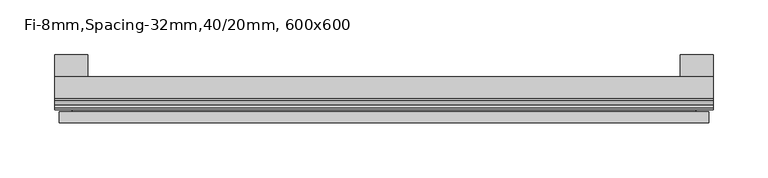
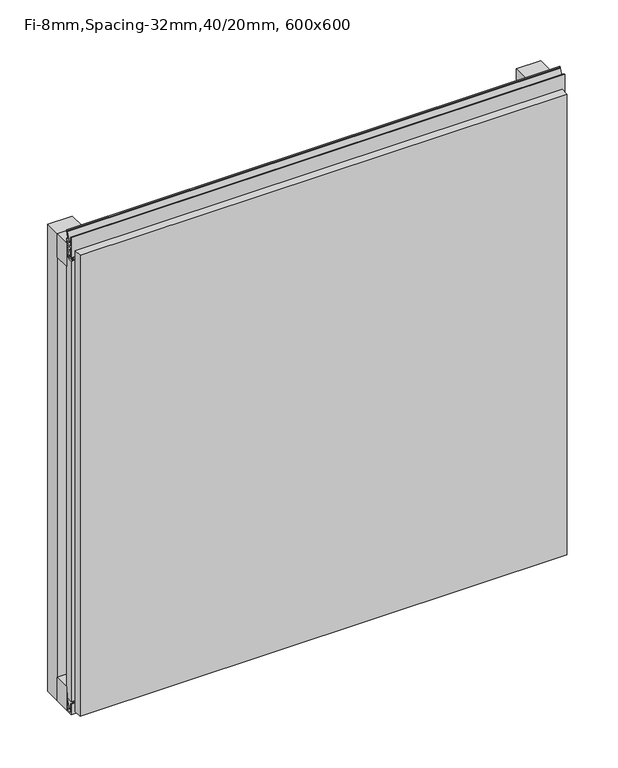
"""IFC4 building model written with IfcOpenShell, lengths in millimetres: plate geometry, Fi-8mm,Spacing-32mm,40/20mm, 600x600."""

from ifc_helpers import new_model, si_unit, frame, origin, origin_with_axes, place, context, project, spatial, polyline, outline, extrude, faceted_brep, source, transform, mapped, element, save


def fi_8mm_spacing_32mm_40_20mm_600x600_0a855e9e(model_context):
    return source(origin(), model_context, "Body", "SolidModel", [
        extrude(outline(polyline([(-300.0, -40.0), (-300.0, -20.0), (300.0, -20.0), (300.0, -40.0), (-300.0, -40.0)])), frame((0.0, 0.0, 570.0), z_axis=(0.0, 0.0, 1.0), x_axis=(1.0, 0.0, 0.0)), (0.0, 0.0, 1.0), 30.0),
        extrude(outline(polyline([(-300.0, -40.0), (-300.0, -20.0), (300.0, -20.0), (300.0, -40.0), (-300.0, -40.0)])), origin_with_axes(), (0.0, 0.0, 1.0), 30.0),
        extrude(outline(polyline([(270.0, 0.0), (300.0, 0.0), (300.0, -20.0), (270.0, -20.0), (270.0, 0.0)])), origin_with_axes(), (0.0, 0.0, 1.0), 600.0),
        extrude(outline(polyline([(-270.0, 0.0), (-270.0, -20.0), (-300.0, -20.0), (-300.0, 0.0), (-270.0, 0.0)])), origin_with_axes(), (0.0, 0.0, 1.0), 600.0),
        extrude(outline(polyline([(-40.0, 6.299084), (-40.0, 0.0), (-50.1, 0.0), (-50.1, 13.4156807), (-48.7, 13.4156807), (-48.7, 1.4156807), (-41.4, 1.4156807), (-41.4, 4.899084), (-45.5140545, 4.899084), (-41.4553267, 15.5703394), (-41.4553267, 22.991548), (-40.0553267, 22.991548), (-40.0553267, 15.3558599), (-43.5, 6.299084), (-40.0, 6.299084)])), frame((-300.0, 0.0, 0.0), z_axis=(1.0, 0.0, 0.0), x_axis=(0.0, 1.0, 0.0)), (0.0, 0.0, 1.0), 600.0),
        extrude(outline(polyline([(-293.700916, -40.0), (-293.700916, -43.5), (-284.6441401, -40.0553267), (-277.008452, -40.0553267), (-277.008452, -41.4553267), (-284.4296606, -41.4553267), (-295.100916, -45.5140545), (-295.100916, -41.4), (-298.5843193, -41.4), (-298.5843193, -48.7), (-286.5843193, -48.7), (-286.5843193, -50.1), (-300.0, -50.1), (-300.0, -40.0), (-293.700916, -40.0)])), frame((0.0, 0.0, 16.9558599), z_axis=(0.0, 0.0, 1.0), x_axis=(1.0, 0.0, 0.0)), (0.0, 0.0, 1.0), 566.0882802),
        extrude(outline(polyline([(-48.7, 600.899084), (-41.4, 600.899084), (-41.4, 604.899084), (-45.5140545, 604.899084), (-41.4553267, 615.5703394), (-41.4553267, 616.9558599), (-40.0553267, 616.9558599), (-40.0553267, 615.3558599), (-43.5, 606.299084), (-40.0, 606.299084), (-40.0, 593.700916), (-43.5, 593.700916), (-40.0553267, 584.6441401), (-40.0553267, 583.0441401), (-41.4553267, 583.0441401), (-41.4553267, 584.4296606), (-45.5140545, 595.100916), (-41.4, 595.100916), (-41.4, 599.100916), (-48.7, 599.100916), (-48.7, 587.100916), (-50.1, 587.100916), (-50.1, 612.899084), (-48.7, 612.899084), (-48.7, 600.899084)])), frame((-300.0, 0.0, 0.0), z_axis=(1.0, 0.0, 0.0), x_axis=(0.0, 1.0, 0.0)), (0.0, 0.0, 1.0), 600.0),
        faceted_brep([(296.0, -45.9, 596.0), (-296.0, -45.9, 596.0), (-296.0, -48.7, 596.0), (296.0, -48.7, 596.0), (-296.0, -61.9, 596.0), (296.0, -61.9, 596.0), (296.0, -51.9, 596.0), (-296.0, -51.9, 596.0), (-296.0, -45.9, 4.0), (296.0, -45.9, 4.0), (296.0, -48.7, 4.0), (-296.0, -48.7, 4.0), (296.0, -61.9, 4.0), (-296.0, -61.9, 4.0), (-296.0, -51.9, 4.0), (296.0, -51.9, 4.0), (284.0, -51.9, 584.0), (284.0, -51.9, 16.0), (284.0, -48.7, 16.0), (284.0, -48.7, 584.0), (-284.0, -51.9, 16.0), (-284.0, -48.7, 16.0), (-284.0, -51.9, 584.0), (-284.0, -48.7, 584.0)], [[[0, 1, 2, 3]], [[4, 5, 6, 7]], [[8, 9, 10, 11]], [[12, 13, 14, 15]], [[1, 0, 9, 8]], [[1, 8, 11, 2]], [[13, 4, 7, 14]], [[5, 4, 13, 12]], [[9, 0, 3, 10]], [[5, 12, 15, 6]], [[16, 17, 18, 19]], [[18, 17, 20, 21]], [[21, 20, 22, 23]], [[16, 19, 23, 22]], [[7, 6, 15, 14], [17, 16, 22, 20]], [[3, 2, 11, 10], [19, 18, 21, 23]]]),
    ])


if __name__ == "__main__":
    model = new_model("IFC4")
    model_context = context("Model", 3, world=origin())
    ifc_project = project(units=[si_unit("LENGTHUNIT", "METRE", prefix="MILLI")], contexts=[model_context])
    site = spatial("IfcSite", under=ifc_project)
    building = spatial("IfcBuilding", under=site)
    placement = place(None, origin())
    fi_8mm_spacing_32mm_40_20mm_600x600_shape = fi_8mm_spacing_32mm_40_20mm_600x600_0a855e9e(model_context)
    element("IfcPlate", 1, ObjectType="Fi-8mm,Spacing-32mm,40/20mm, 600x600", at=placement, inside=building, context=model_context, shape_type="MappedRepresentation", body=[
        mapped(fi_8mm_spacing_32mm_40_20mm_600x600_shape, transform((0.0, 0.0, 0.0), x_axis=(1.0, 0.0, 0.0), y_axis=(0.0, 1.0, 0.0), z_axis=(0.0, 0.0, 1.0))),
    ])
    save(model, "model.ifc")
